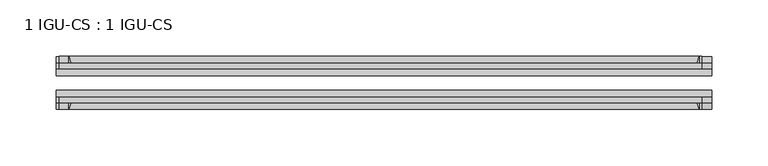
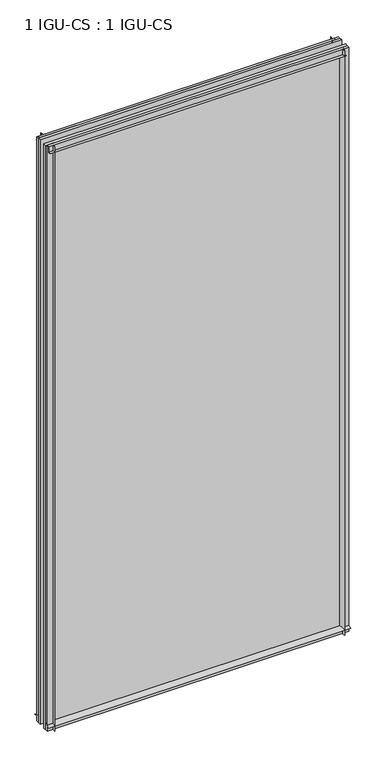
"""IFC4 building model written with IfcOpenShell, lengths in millimetres: plate geometry, 1 IGU-CS : 1 IGU-CS."""

from ifc_helpers import new_model, si_unit, point, frame, frame_2d, origin, place, context, project, spatial, polyline, circle_curve, trimmed, segment, composite_curve, outline, extrude, source, transform, mapped, element, save


def plate_1_igu_cs_1_igu_cs_adbf84f7(model_context):
    return source(origin(), model_context, "Body", "SweptSolid", [
        extrude(outline(composite_curve([segment(trimmed(circle_curve(frame_2d((-28.0741797, 32.2797688)), 32.7673262), [point((-44.45, 3.8979053))], [point((-33.7058, 1.48e-05))], True, "CARTESIAN"), True, "CONTINUOUS"), segment(polyline([(-33.7058, 1.48e-05), (-39.6748, 1.48e-05), (-39.6748, -10.31875), (-44.45, -10.31875), (-44.45, 3.8979053)]), True, "CONTINUOUS")], self_intersect=False)), frame((-290.5125, 0.0, 0.0), z_axis=(1.0, 0.0, 0.0), x_axis=(0.0, 1.0, 0.0)), (0.0, 0.0, 1.0), 581.025),
        extrude(outline(composite_curve([segment(trimmed(circle_curve(frame_2d((-86.2258203, 32.2797602)), 32.7673262), [point((-80.5942354, 0.0))], [point((-69.85, 3.8978967))], True, "CARTESIAN"), True, "CONTINUOUS"), segment(polyline([(-69.85, 3.8978967), (-69.85, -10.31875), (-74.6252, -10.31875), (-74.6252, 0.0), (-80.5942354, 0.0)]), True, "CONTINUOUS")], self_intersect=False)), frame((-290.5125, 0.0, 0.0), z_axis=(1.0, 0.0, 0.0), x_axis=(0.0, 1.0, 0.0)), (0.0, 0.0, 1.0), 581.025),
        extrude(outline(composite_curve([segment(polyline([(-80.5942, 1168.4), (-74.6252, 1168.4), (-74.6252, 1179.5125), (-69.85, 1179.5125), (-69.85, 1164.5021095)]), True, "CONTINUOUS"), segment(trimmed(circle_curve(frame_2d((-86.2258203, 1136.120246)), 32.7673262), [point((-69.85, 1164.5021095))], [point((-80.5942, 1168.4))], True, "CARTESIAN"), True, "CONTINUOUS")], self_intersect=False)), frame((-287.9127386, 0.0, 0.0), z_axis=(1.0, 0.0, 0.0), x_axis=(0.0, 1.0, 0.0)), (0.0, 0.0, 1.0), 569.8587001),
        extrude(outline(composite_curve([segment(polyline([(-39.6748, 1179.5125), (-39.6748, 1168.4), (-33.7058, 1168.4)]), True, "CONTINUOUS"), segment(trimmed(circle_curve(frame_2d((-28.0741797, 1136.120246)), 32.7673262), [point((-33.7058, 1168.4))], [point((-44.45, 1164.5021095))], True, "CARTESIAN"), True, "CONTINUOUS"), segment(polyline([(-44.45, 1164.5021095), (-44.45, 1179.5125), (-39.6748, 1179.5125)]), True, "CONTINUOUS")], self_intersect=False)), frame((-287.9127386, 0.0, 0.0), z_axis=(1.0, 0.0, 0.0), x_axis=(0.0, 1.0, 0.0)), (0.0, 0.0, 1.0), 569.8587001),
        extrude(outline(composite_curve([segment(polyline([(290.5125, -39.6748), (290.5125, -44.45), (275.5021095, -44.45)]), True, "CONTINUOUS"), segment(trimmed(circle_curve(frame_2d((247.120246, -28.0741797)), 32.7673262), [point((275.5021095, -44.45))], [point((279.4, -33.7058))], True, "CARTESIAN"), True, "CONTINUOUS"), segment(polyline([(279.4, -33.7058), (279.4, -39.6748), (290.5125, -39.6748)]), True, "CONTINUOUS")], self_intersect=False)), frame((0.0, 0.0, -10.31875), z_axis=(0.0, 0.0, 1.0), x_axis=(1.0, 0.0, 0.0)), (0.0, 0.0, 1.0), 1189.83125),
        extrude(outline(composite_curve([segment(polyline([(290.5125, -69.85), (290.5125, -74.6252), (279.4, -74.6252), (279.4, -80.5942)]), True, "CONTINUOUS"), segment(trimmed(circle_curve(frame_2d((247.120246, -86.2258203)), 32.7673262), [point((279.4, -80.5942))], [point((275.5021095, -69.85))], True, "CARTESIAN"), True, "CONTINUOUS"), segment(polyline([(275.5021095, -69.85), (290.5125, -69.85)]), True, "CONTINUOUS")], self_intersect=False)), frame((0.0, 0.0, -10.31875), z_axis=(0.0, 0.0, 1.0), x_axis=(1.0, 0.0, 0.0)), (0.0, 0.0, 1.0), 1189.83125),
        extrude(outline(composite_curve([segment(polyline([(-290.5125, -39.6748), (-279.4, -39.6748), (-279.4, -33.7058)]), True, "CONTINUOUS"), segment(trimmed(circle_curve(frame_2d((-247.120246, -28.0741797)), 32.7673262), [point((-279.4, -33.7058))], [point((-275.5021095, -44.45))], True, "CARTESIAN"), True, "CONTINUOUS"), segment(polyline([(-275.5021095, -44.45), (-290.5125, -44.45), (-290.5125, -39.6748)]), True, "CONTINUOUS")], self_intersect=False)), frame((0.0, 0.0, -10.31875), z_axis=(0.0, 0.0, 1.0), x_axis=(1.0, 0.0, 0.0)), (0.0, 0.0, 1.0), 1189.83125),
        extrude(outline(composite_curve([segment(polyline([(-290.5125, -74.6252), (-290.5125, -69.85), (-275.5021095, -69.85)]), True, "CONTINUOUS"), segment(trimmed(circle_curve(frame_2d((-247.120246, -86.2258203)), 32.7673262), [point((-275.5021095, -69.85))], [point((-279.4, -80.5942))], True, "CARTESIAN"), True, "CONTINUOUS"), segment(polyline([(-279.4, -80.5942), (-279.4, -74.6252), (-290.5125, -74.6252)]), True, "CONTINUOUS")], self_intersect=False)), frame((0.0, 0.0, -10.31875), z_axis=(0.0, 0.0, 1.0), x_axis=(1.0, 0.0, 0.0)), (0.0, 0.0, 1.0), 1189.83125),
        extrude(outline(polyline([(-290.5125, -69.85), (-290.5125, -63.5508), (290.5125, -63.5508), (290.5125, -69.85), (-290.5125, -69.85)])), frame((0.0, 0.0, -10.31875), z_axis=(0.0, 0.0, 1.0), x_axis=(1.0, 0.0, 0.0)), (0.0, 0.0, 1.0), 1189.83125),
        extrude(outline(polyline([(290.5125, -50.7492), (-290.5125, -50.7492), (-290.5125, -44.45), (290.5125, -44.45), (290.5125, -50.7492)])), frame((0.0, 0.0, -10.31875), z_axis=(0.0, 0.0, 1.0), x_axis=(1.0, 0.0, 0.0)), (0.0, 0.0, 1.0), 1189.83125),
    ])


if __name__ == "__main__":
    model = new_model("IFC4")
    model_context = context("Model", 3, world=origin())
    ifc_project = project(units=[si_unit("LENGTHUNIT", "METRE", prefix="MILLI")], contexts=[model_context])
    site = spatial("IfcSite", under=ifc_project)
    building = spatial("IfcBuilding", under=site)
    placement = place(None, origin())
    plate_1_igu_cs_1_igu_cs_shape = plate_1_igu_cs_1_igu_cs_adbf84f7(model_context)
    element("IfcPlate", 1, ObjectType="1 IGU-CS : 1 IGU-CS", at=placement, inside=building, context=model_context, shape_type="MappedRepresentation", body=[
        mapped(plate_1_igu_cs_1_igu_cs_shape, transform((0.0, 0.0, 0.0), x_axis=(1.0, 0.0, 0.0), y_axis=(0.0, 1.0, 0.0), z_axis=(0.0, 0.0, 1.0))),
    ])
    save(model, "model.ifc")
